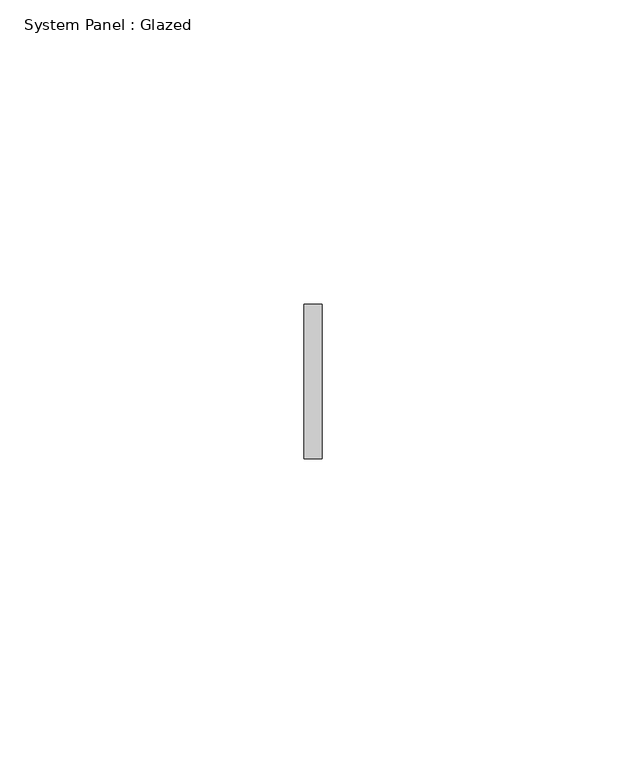
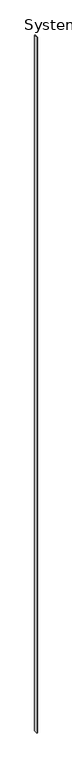
"""IFC4 building model written with IfcOpenShell, lengths in millimetres: plate geometry, System Panel : Glazed."""

from ifc_helpers import new_model, si_unit, origin, origin_with_axes, place, context, project, spatial, polyline, outline, extrude, source, transform, mapped, element, save


def system_panel_glazed_31d649ac(model_context):
    return source(origin(), model_context, "Body", "SweptSolid", [
        extrude(outline(polyline([(1.4917078, 19.05), (-1.4917078, 19.05), (-1.4917078, 44.45), (1.4917078, 44.45), (1.4917078, 19.05)])), origin_with_axes(), (0.0, 0.0, 1.0), 4876.8),
    ])


if __name__ == "__main__":
    model = new_model("IFC4")
    model_context = context("Model", 3, world=origin())
    ifc_project = project(units=[si_unit("LENGTHUNIT", "METRE", prefix="MILLI")], contexts=[model_context])
    site = spatial("IfcSite", under=ifc_project)
    building = spatial("IfcBuilding", under=site)
    placement = place(None, origin())
    system_panel_glazed_shape = system_panel_glazed_31d649ac(model_context)
    element("IfcPlate", 1, ObjectType="System Panel : Glazed", at=placement, inside=building, context=model_context, shape_type="MappedRepresentation", body=[
        mapped(system_panel_glazed_shape, transform((0.0, 0.0, 0.0), x_axis=(1.0, 0.0, 0.0), y_axis=(0.0, 1.0, 0.0), z_axis=(0.0, 0.0, 1.0))),
    ])
    save(model, "model.ifc")
